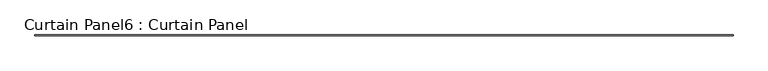
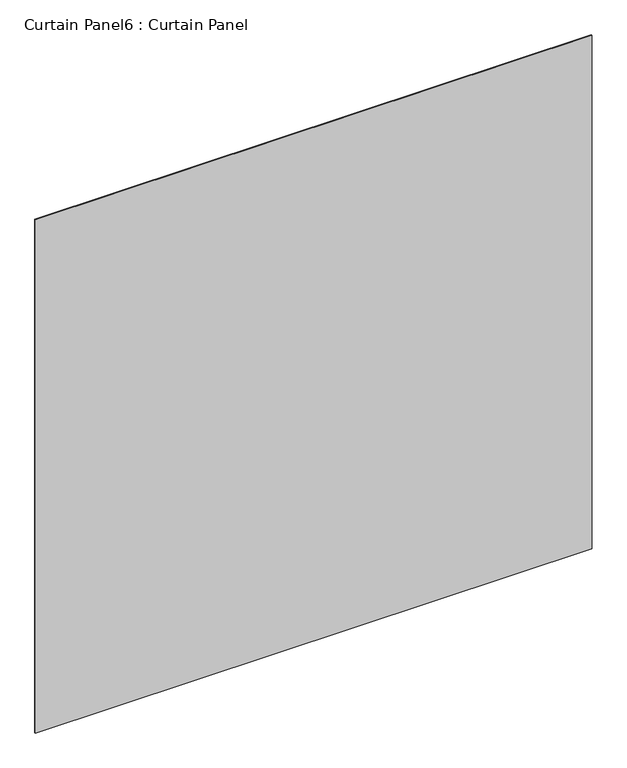
"""IFC4 building model written with IfcOpenShell, lengths in millimetres: plate geometry, Curtain Panel6 : Curtain Panel."""

from ifc_helpers import new_model, si_unit, frame, origin, place, context, project, spatial, polyline, outline, extrude, source, transform, mapped, element, save


def curtain_panel6_curtain_panel_5a4663b7(model_context):
    return source(origin(), model_context, "Body", "SweptSolid", [
        extrude(outline(polyline([(185401.2166102, 2938.3096955), (179400.4666102, 2938.3096955), (179400.4666102, 2944.6596955), (185401.2166102, 2944.6596955), (185401.2166102, 2938.3096955)])), frame((0.0, 0.0, 1242.6943654), z_axis=(0.0, 0.0, 1.0), x_axis=(1.0, 0.0, 0.0)), (0.0, 0.0, 1.0), 5846.643677),
    ])


if __name__ == "__main__":
    model = new_model("IFC4")
    model_context = context("Model", 3, world=origin())
    ifc_project = project(units=[si_unit("LENGTHUNIT", "METRE", prefix="MILLI")], contexts=[model_context])
    site = spatial("IfcSite", under=ifc_project)
    building = spatial("IfcBuilding", under=site)
    placement = place(None, origin())
    curtain_panel6_curtain_panel_shape = curtain_panel6_curtain_panel_5a4663b7(model_context)
    element("IfcPlate", 1, ObjectType="Curtain Panel6 : Curtain Panel", at=placement, inside=building, context=model_context, shape_type="MappedRepresentation", body=[
        mapped(curtain_panel6_curtain_panel_shape, transform((0.0, 0.0, 0.0), x_axis=(1.0, 0.0, 0.0), y_axis=(0.0, 1.0, 0.0), z_axis=(0.0, 0.0, 1.0))),
    ])
    save(model, "model.ifc")
